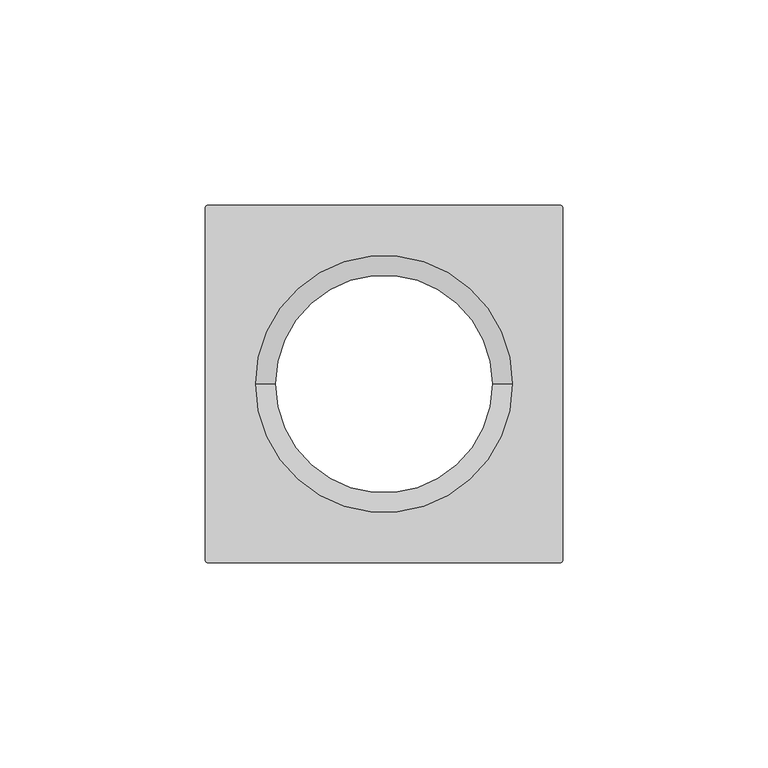
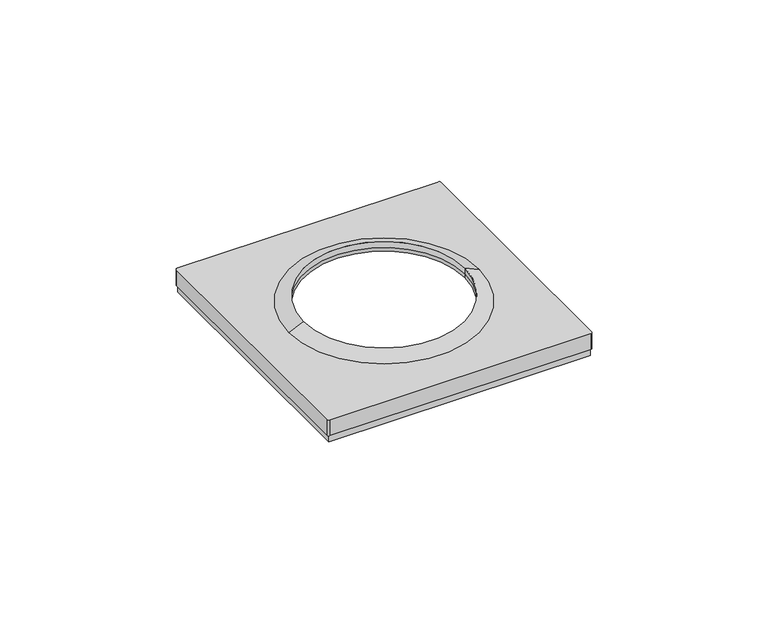
"""IFC4 building model written with IfcOpenShell, lengths in millimetres: proxy geometry."""

import ifcopenshell
import ifcopenshell.guid

model = None  # the IFC model being written
_history = None  # IfcOwnerHistory: only IFC2X3 demands one
_inside = {}  # id of a spatial element -> (the spatial element, [elements in it])
_under = {}  # id of a project, library or spatial element -> (it, [spatial elements below it])
_declared = {}  # id of a project -> (the project, [libraries it declares])
_typed = {}  # id of a type object -> (the type object, [elements of that type])
_made_of = {}  # id of a material, layer set ... -> (it, [elements and type objects made of it])


def new_model(schema):
    """Start an empty IFC model of exactly this schema.

    Asked for "IFC4X3", IfcOpenShell would pick the latest addendum, in which some entities
    have other attributes; the version numbers below select the first issue.
    IFC2X3 requires an IfcOwnerHistory on every rooted entity: one is made here for all.
    """
    global model, _history
    if schema == "IFC4X3":
        model = ifcopenshell.file(schema_version=(4, 3, 0, 0))
    else:
        model = ifcopenshell.file(schema=schema)
    _inside.clear()
    _under.clear()
    _declared.clear()
    _typed.clear()
    _made_of.clear()
    _history = None
    if model.schema == "IFC2X3":
        org = make("IfcOrganization", Name="unknown")
        user = make(
            "IfcPersonAndOrganization",
            ThePerson=make("IfcPerson", FamilyName="unknown"),
            TheOrganization=org,
        )
        app = make(
            "IfcApplication",
            ApplicationDeveloper=org,
            Version="unknown",
            ApplicationFullName="unknown",
            ApplicationIdentifier="unknown",
        )
        _history = make(
            "IfcOwnerHistory",
            OwningUser=user,
            OwningApplication=app,
            ChangeAction="ADDED",
            CreationDate=0,
        )
    return model


def make(cls, **values):
    """One entity of the class cls with the attributes given. An attribute that is None is left unset."""
    return model.create_entity(
        cls, **{name: value for name, value in values.items() if value is not None}
    )


def rooted(cls, **values):
    """An entity with a GlobalId (a new one), such as an element, a storey or a relation."""
    return make(cls, GlobalId=ifcopenshell.guid.new(), OwnerHistory=_history, **values)


def si_unit(unit_type, name, prefix=None):
    """IfcSIUnit, for example si_unit("LENGTHUNIT", "METRE", prefix="MILLI")."""
    return make("IfcSIUnit", UnitType=unit_type, Prefix=prefix, Name=name)


def assignment(units):
    """IfcUnitAssignment: the units of a project."""
    return None if units is None else make("IfcUnitAssignment", Units=units)


def point(xyz):
    """IfcCartesianPoint."""
    return None if xyz is None else make("IfcCartesianPoint", Coordinates=xyz)


def direction(xyz):
    """IfcDirection."""
    return None if xyz is None else make("IfcDirection", DirectionRatios=xyz)


def frame(location, z_axis=None, x_axis=None):
    """IfcAxis2Placement3D, a coordinate frame: its origin and axes. An axis left out is left unset."""
    return make(
        "IfcAxis2Placement3D",
        Location=point(location),
        Axis=direction(z_axis),
        RefDirection=direction(x_axis),
    )


def origin():
    """The frame at (0, 0, 0) with its axes left unset."""
    return frame((0.0, 0.0, 0.0))


def origin_with_axes():
    """The frame at (0, 0, 0) with the z axis (0, 0, 1) and the x axis (1, 0, 0) written out."""
    return frame((0.0, 0.0, 0.0), z_axis=(0.0, 0.0, 1.0), x_axis=(1.0, 0.0, 0.0))


def place(relative_to, where):
    """IfcLocalPlacement: puts the frame where relative to a parent placement (None: the world)."""
    return make(
        "IfcLocalPlacement", PlacementRelTo=relative_to, RelativePlacement=where
    )


def context(
    kind, dimensions, precision=None, world=None, true_north=None, identifier=None
):
    """IfcGeometricRepresentationContext, for example the 3D "Model" context."""
    return make(
        "IfcGeometricRepresentationContext",
        ContextIdentifier=identifier,
        ContextType=kind,
        CoordinateSpaceDimension=dimensions,
        Precision=precision,
        WorldCoordinateSystem=world,
        TrueNorth=true_north,
    )


def project(units=None, contexts=None):
    """IfcProject with its units and contexts."""
    return rooted(
        "IfcProject",
        Name="project",
        RepresentationContexts=contexts,
        UnitsInContext=assignment(units),
    )


def spatial(cls, under=None, at=None, **own):
    """A site, building, storey or space (cls), placed at a placement, below another one or the project."""
    s = rooted(cls, ObjectPlacement=at, **own)
    if under is not None:
        _under.setdefault(under.id(), (under, []))[1].append(s)
    return s


def polyline(points):
    """IfcPolyline through the points."""
    return make("IfcPolyline", Points=[point(p) for p in points])


def circle_curve(where, radius):
    """IfcCircle in the frame where."""
    return make("IfcCircle", Position=where, Radius=radius)


def outline(outer, holes=None, kind="AREA"):
    """IfcArbitraryClosedProfileDef: a profile drawn as a closed curve; with holes, ...WithVoids."""
    if holes is None:
        return make("IfcArbitraryClosedProfileDef", ProfileType=kind, OuterCurve=outer)
    return make(
        "IfcArbitraryProfileDefWithVoids",
        ProfileType=kind,
        OuterCurve=outer,
        InnerCurves=holes,
    )


def extrude(swept, where, along, depth):
    """IfcExtrudedAreaSolid: the profile swept, set in the frame where, extruded along a direction by depth."""
    return make(
        "IfcExtrudedAreaSolid",
        SweptArea=swept,
        Position=where,
        ExtrudedDirection=direction(along),
        Depth=depth,
    )


def shape(context_of_items, identifier, shape_type, items):
    """IfcShapeRepresentation: the items that make up one representation, for example the "Body"."""
    return make(
        "IfcShapeRepresentation",
        ContextOfItems=context_of_items,
        RepresentationIdentifier=identifier,
        RepresentationType=shape_type,
        Items=items,
    )


def source(mapping_origin, context_of_items, identifier, shape_type, items):
    """IfcRepresentationMap: a shape defined once, which mapped items show again and again."""
    return make(
        "IfcRepresentationMap",
        MappingOrigin=mapping_origin,
        MappedRepresentation=shape(context_of_items, identifier, shape_type, items),
    )


def transform(
    local_origin,
    x_axis=None,
    y_axis=None,
    z_axis=None,
    scale=None,
    scale2=None,
    scale3=None,
    uniform=True,
):
    """IfcCartesianTransformationOperator3D, or its non-uniform kind. x_axis, y_axis, z_axis: its Axis1, 2, 3."""
    if uniform:
        return make(
            "IfcCartesianTransformationOperator3D",
            Axis1=direction(x_axis),
            Axis2=direction(y_axis),
            LocalOrigin=point(local_origin),
            Scale=scale,
            Axis3=direction(z_axis),
        )
    return make(
        "IfcCartesianTransformationOperator3DnonUniform",
        Axis1=direction(x_axis),
        Axis2=direction(y_axis),
        LocalOrigin=point(local_origin),
        Scale=scale,
        Axis3=direction(z_axis),
        Scale2=scale2,
        Scale3=scale3,
    )


def mapped(mapping_source, mapping_target):
    """IfcMappedItem: shows the shape of a source again, moved by a transform."""
    return make(
        "IfcMappedItem", MappingSource=mapping_source, MappingTarget=mapping_target
    )


def made_of(thing, what):
    """Note that an element or type object is made of a material, layer set ...; save() writes the relation."""
    if what is not None:
        _made_of.setdefault(what.id(), (what, []))[1].append(thing)
    return thing


def element(
    cls,
    number,
    at=None,
    inside=None,
    cuts=None,
    type_object=None,
    material=None,
    context=None,
    identifier="Body",
    shape_type=None,
    held_by="IfcProductDefinitionShape",
    body=None,
    shapes=None,
    **own,
):
    """One element of the class cls, such as IfcWall. Its Tag is "e" and its number.

    at: its placement. inside: the storey or other place that contains it. cuts: it is an
    opening in that element (IfcRelVoidsElement). A single representation is given by context,
    identifier, shape_type and body (its items); several are given by shapes. held_by: the class
    of the entity that holds the representations. save() writes the other relations.
    """
    e = rooted(cls, Tag="e%d" % number, ObjectPlacement=at, **own)
    if body is not None:
        shapes = [shape(context, identifier, shape_type, body)]
    if shapes is not None:
        e.Representation = make(held_by, Representations=shapes)
    if inside is not None:
        _inside.setdefault(inside.id(), (inside, []))[1].append(e)
    if cuts is not None:
        rooted(
            "IfcRelVoidsElement", RelatingBuildingElement=cuts, RelatedOpeningElement=e
        )
    if type_object is not None:
        _typed.setdefault(type_object.id(), (type_object, []))[1].append(e)
    return made_of(e, material)


def aggregate(whole, parts):
    """IfcRelAggregates: a whole, such as a stair, and the parts it consists of."""
    return rooted("IfcRelAggregates", RelatingObject=whole, RelatedObjects=parts)


def save(model, path):
    """Write the relations noted so far, then the file.

    IfcRelAggregates (storeys below a building ...), IfcRelContainedInSpatialStructure (elements
    in a storey), IfcRelDefinesByType, IfcRelAssociatesMaterial and IfcRelDeclares: one each for
    every whole, place, type object, material and project.
    """
    for whole, parts in _under.values():
        aggregate(whole, parts)
    for where, things in _inside.values():
        rooted(
            "IfcRelContainedInSpatialStructure",
            RelatedElements=things,
            RelatingStructure=where,
        )
    for kind, things in _typed.values():
        rooted("IfcRelDefinesByType", RelatedObjects=things, RelatingType=kind)
    for what, things in _made_of.values():
        rooted("IfcRelAssociatesMaterial", RelatedObjects=things, RelatingMaterial=what)
    for by, libraries in _declared.values():
        rooted("IfcRelDeclares", RelatingContext=by, RelatedDefinitions=libraries)
    model.write(path)


def plane_surface(at):
    """IfcPlane: the flat surface through the origin of the frame at, square to its z axis."""
    return make("IfcPlane", Position=at)


def cylinder_surface(at, radius):
    """IfcCylindricalSurface: all points at the distance radius from the z axis of the frame at."""
    return make("IfcCylindricalSurface", Position=at, Radius=radius)


def revolved_surface(curve, axis_point, axis_direction):
    """IfcSurfaceOfRevolution: the curve turned about the line through axis_point along axis_direction."""
    return make(
        "IfcSurfaceOfRevolution",
        SweptCurve=make("IfcArbitraryOpenProfileDef", ProfileType="CURVE", Curve=curve),
        AxisPosition=make("IfcAxis1Placement", Location=point(axis_point), Axis=direction(axis_direction)),
    )


def advanced_brep(points, edges, surfaces, faces):
    """IfcAdvancedBrep: a solid bounded by faces that lie on surfaces and meet in shared edges.

    An edge is (start, end): straight between two places in points (the first is 0);
    or (start, end, curve); or (start, end, curve, False) where it runs against its curve.
    A face is (place in surfaces, loops), or (place, loops, False) where it looks against
    its surface's normal. A loop lists edges by number (the first is 1), with a minus sign
    where the edge is run from its end to its start. The first loop is the outer one.
    """
    corners = [point(p) for p in points]
    vertices = [make("IfcVertexPoint", VertexGeometry=c) for c in corners]
    made = []
    for start, end, *more in edges:
        made.append(
            make(
                "IfcEdgeCurve",
                EdgeStart=vertices[start],
                EdgeEnd=vertices[end],
                EdgeGeometry=more[0] if more else make("IfcPolyline", Points=[corners[start], corners[end]]),
                SameSense=more[1] if len(more) > 1 else True,
            )
        )
    hull = []
    for where, loops, *sense in faces:
        bounds = []
        for j, loop in enumerate(loops):
            ring = [make("IfcOrientedEdge", EdgeElement=made[abs(k) - 1], Orientation=k > 0) for k in loop]
            bounds.append(
                make(
                    "IfcFaceOuterBound" if j == 0 else "IfcFaceBound",
                    Bound=make("IfcEdgeLoop", EdgeList=ring),
                    Orientation=True,
                )
            )
        hull.append(make("IfcAdvancedFace", Bounds=bounds, FaceSurface=surfaces[where], SameSense=sense[0] if sense else True))
    return make("IfcAdvancedBrep", Outer=make("IfcClosedShell", CfsFaces=hull))


def electrical_fixtures_0619a2f7(model_context):
    return source(origin(), model_context, "Body", "SolidModel", [
        advanced_brep(
        [(-43.5, -42.9369707, 8.0076008), (-42.9369707, -43.5, 8.0076008), (42.9369707, -43.5, 8.0076008), (43.5, -42.9369707, 8.0076008), (43.5, 42.9369707, 8.0076008), (42.9369707, 43.5, 8.0076008), (-42.9369707, 43.5, 8.0076008), (-43.5, 42.9369707, 8.0076008), (-31.2841563, 0.0, 8.0076008), (31.2841563, 0.0, 8.0076008), (-43.5, -42.9369707, 2.5), (-43.5, 42.9369707, 2.5), (-42.9369707, 43.5, 2.5), (42.9369707, 43.5, 2.5), (43.5, 42.9369707, 2.5), (43.5, -42.9369707, 2.5), (42.9369707, -43.5, 2.5), (-42.9369707, -43.5, 2.5), (42.5, 42.5, 2.5), (-42.5, 42.5, 2.5), (-42.5, -42.5, 2.5), (42.5, -42.5, 2.5), (26.5, 0.0, 8.0076008), (-26.5, 0.0, 8.0076008), (-26.5, 0.0, 6.7956384), (26.5, 0.0, 6.7956384), (42.5, 42.5, 6.7956384), (42.5, -42.5, 6.7956384), (-42.5, -42.5, 6.7956384), (-42.5, 42.5, 6.7956384), (-26.5, 0.0, 10.1), (26.5, 0.0, 10.1)],
        [
            (0, 1, circle_curve(frame((-42.9369707, -42.9369707, 8.0076008), z_axis=(0.0, 0.0, 1.0), x_axis=(1.0, 0.0, 0.0)), 0.5630293)),
            (1, 2),
            (2, 3, circle_curve(frame((42.9369707, -42.9369707, 8.0076008), z_axis=(0.0, 0.0, 1.0), x_axis=(-1.0, 0.0, 0.0)), 0.5630293)),
            (3, 4),
            (4, 5, circle_curve(frame((42.9369707, 42.9369707, 8.0076008), z_axis=(0.0, 0.0, 1.0), x_axis=(-1.0, 0.0, 0.0)), 0.5630293)),
            (5, 6),
            (6, 7, circle_curve(frame((-42.9369707, 42.9369707, 8.0076008), z_axis=(0.0, 0.0, 1.0), x_axis=(1.0, 0.0, 0.0)), 0.5630293)),
            (7, 0),
            (8, 9, circle_curve(frame((0.0, 0.0, 8.0076008), z_axis=(0.0, 0.0, -1.0), x_axis=(-1.0, 0.0, 0.0)), 31.2841563)),
            (9, 8, circle_curve(frame((0.0, 0.0, 8.0076008), z_axis=(0.0, 0.0, -1.0), x_axis=(-1.0, 0.0, 0.0)), 31.2841563)),
            (10, 11),
            (11, 12, circle_curve(frame((-42.9369707, 42.9369707, 2.5), z_axis=(0.0, 0.0, -1.0), x_axis=(1.0, 0.0, 0.0)), 0.5630293)),
            (12, 13),
            (13, 14, circle_curve(frame((42.9369707, 42.9369707, 2.5), z_axis=(0.0, 0.0, -1.0), x_axis=(-1.0, 0.0, 0.0)), 0.5630293)),
            (14, 15),
            (15, 16, circle_curve(frame((42.9369707, -42.9369707, 2.5), z_axis=(0.0, 0.0, -1.0), x_axis=(-1.0, 0.0, 0.0)), 0.5630293)),
            (16, 17),
            (17, 10, circle_curve(frame((-42.9369707, -42.9369707, 2.5), z_axis=(0.0, 0.0, -1.0), x_axis=(1.0, 0.0, 0.0)), 0.5630293)),
            (18, 19),
            (19, 20),
            (20, 21),
            (21, 18),
            (0, 10),
            (17, 1),
            (16, 2),
            (15, 3),
            (14, 4),
            (13, 5),
            (12, 6),
            (11, 7),
            (22, 23, circle_curve(frame((0.0, 0.0, 8.0076008), z_axis=(0.0, 0.0, 1.0), x_axis=(-1.0, 0.0, 0.0)), 26.5)),
            (23, 24),
            (24, 25, circle_curve(frame((0.0, 0.0, 6.7956384), z_axis=(0.0, 0.0, -1.0), x_axis=(-1.0, 0.0, 0.0)), 26.5)),
            (25, 22),
            (23, 22, circle_curve(frame((0.0, 0.0, 8.0076008), z_axis=(0.0, 0.0, 1.0), x_axis=(-1.0, 0.0, 0.0)), 26.5)),
            (25, 24, circle_curve(frame((0.0, 0.0, 6.7956384), z_axis=(0.0, 0.0, -1.0), x_axis=(-1.0, 0.0, 0.0)), 26.5)),
            (26, 27),
            (27, 28),
            (28, 29),
            (29, 26),
            (29, 19),
            (18, 26),
            (28, 20),
            (27, 21),
            (8, 30),
            (30, 31, circle_curve(frame((0.0, 0.0, 10.1), z_axis=(0.0, 0.0, -1.0), x_axis=(-1.0, 0.0, 0.0)), 26.5)),
            (31, 9),
            (31, 30, circle_curve(frame((0.0, 0.0, 10.1), z_axis=(0.0, 0.0, -1.0), x_axis=(-1.0, 0.0, 0.0)), 26.5)),
            (30, 23),
            (22, 31),
        ],
        [
            plane_surface(frame((-42.3739414, -42.9369707, 8.0076008), z_axis=(0.0, 0.0, 1.0), x_axis=(0.0, 1.0, 0.0))),
            plane_surface(frame((-42.3739414, -42.9369707, 2.5), z_axis=(0.0, 0.0, -1.0), x_axis=(0.0, -1.0, 0.0))),
            cylinder_surface(frame((-42.9369707, -42.9369707, 2.5), z_axis=(0.0, 0.0, 1.0), x_axis=(1.0, 0.0, 0.0)), 0.5630293),
            plane_surface(frame((-42.9369707, -43.5, 8.0076008), z_axis=(0.0, -1.0, 0.0), x_axis=(0.0, 0.0, -1.0))),
            cylinder_surface(frame((42.9369707, -42.9369707, 2.5), z_axis=(0.0, 0.0, 1.0), x_axis=(-1.0, 0.0, 0.0)), 0.5630293),
            plane_surface(frame((43.5, -42.9369707, 8.0076008), z_axis=(1.0, 0.0, 0.0), x_axis=(0.0, 0.0, -1.0))),
            cylinder_surface(frame((42.9369707, 42.9369707, 2.5), z_axis=(0.0, 0.0, 1.0), x_axis=(-1.0, 0.0, 0.0)), 0.5630293),
            plane_surface(frame((42.9369707, 43.5, 8.0076008), z_axis=(0.0, 1.0, 0.0), x_axis=(0.0, 0.0, -1.0))),
            cylinder_surface(frame((-42.9369707, 42.9369707, 2.5), z_axis=(0.0, 0.0, 1.0), x_axis=(1.0, 0.0, 0.0)), 0.5630293),
            plane_surface(frame((-43.5, 42.9369707, 8.0076008), z_axis=(-1.0, 0.0, 0.0), x_axis=(0.0, 0.0, -1.0))),
            revolved_surface(polyline([(-26.5, 0.0, 8.0076008), (-26.5, 0.0, 6.7956384)]), (0.0, 0.0, 0.0), (0.0, 0.0, 1.0)),
            plane_surface(frame((-42.5, 42.5, 6.7956384), z_axis=(0.0, 0.0, -1.0), x_axis=(-1.0, 0.0, 0.0))),
            plane_surface(frame((42.5, 42.5, 6.7956384), z_axis=(0.0, -1.0, 0.0), x_axis=(0.0, 0.0, -1.0))),
            plane_surface(frame((-42.5, 42.5, 6.7956384), z_axis=(1.0, 0.0, 0.0), x_axis=(0.0, 0.0, -1.0))),
            plane_surface(frame((-42.5, -42.5, 6.7956384), z_axis=(0.0, 1.0, 0.0), x_axis=(0.0, 0.0, -1.0))),
            plane_surface(frame((42.5, -42.5, 6.7956384), z_axis=(-1.0, 0.0, 0.0), x_axis=(0.0, 0.0, -1.0))),
            revolved_surface(polyline([(-26.5, 0.0, 10.1), (-31.2841563, 0.0, 8.0076008)]), (0.0, 0.0, 2609.0581012), (0.0, 0.0, -1.0)),
            revolved_surface(polyline([(-26.5, 0.0, 8.007600800000091), (-26.5, 0.0, 10.099999999999909)]), (0.0, 0.0, 2609.0581012), (0.0, 0.0, -1.0)),
        ],
        [
            (0, [[1, 2, 3, 4, 5, 6, 7, 8], [9, 10]]),
            (1, [[11, 12, 13, 14, 15, 16, 17, 18], [19, 20, 21, 22]]),
            (2, [[-1, 23, -18, 24]]),
            (3, [[-2, -24, -17, 25]]),
            (4, [[-3, -25, -16, 26]]),
            (5, [[-4, -26, -15, 27]]),
            (6, [[-5, -27, -14, 28]]),
            (7, [[-6, -28, -13, 29]]),
            (8, [[-7, -29, -12, 30]]),
            (9, [[-8, -30, -11, -23]]),
            (10, [[31, 32, 33, 34]]),
            (10, [[35, -34, 36, -32]]),
            (11, [[37, 38, 39, 40], [-33, -36]]),
            (12, [[-40, 41, -19, 42]]),
            (13, [[-39, 43, -20, -41]]),
            (14, [[-38, 44, -21, -43]]),
            (15, [[-37, -42, -22, -44]]),
            (16, [[45, 46, 47, -9]]),
            (16, [[-45, -10, -47, 48]]),
            (17, [[-46, 49, -31, 50]]),
            (17, [[-48, -50, -35, -49]]),
        ],
    ),
        extrude(outline(polyline([(-43.0, -43.0), (-43.0, 43.0), (43.0, 43.0), (43.0, -43.0), (-43.0, -43.0)]), holes=[polyline([(-42.5, -42.5), (42.5, -42.5), (42.5, 42.5), (-42.5, 42.5), (-42.5, -42.5)])]), origin_with_axes(), (0.0, 0.0, 1.0), 2.5),
    ])


if __name__ == "__main__":
    model = new_model("IFC4")
    model_context = context("Model", 3, world=origin())
    ifc_project = project(units=[si_unit("LENGTHUNIT", "METRE", prefix="MILLI")], contexts=[model_context])
    site = spatial("IfcSite", under=ifc_project)
    building = spatial("IfcBuilding", under=site)
    placement = place(None, origin())
    electrical_fixtures_shape = electrical_fixtures_0619a2f7(model_context)
    element("IfcBuildingElementProxy", 1, Name="Electrical Fixtures", at=placement, inside=building, context=model_context, shape_type="MappedRepresentation", body=[
        mapped(electrical_fixtures_shape, transform((0.0, 0.0, 0.0), x_axis=(1.0, 0.0, 0.0), y_axis=(0.0, 1.0, 0.0), z_axis=(0.0, 0.0, 1.0))),
    ])
    save(model, "model.ifc")
